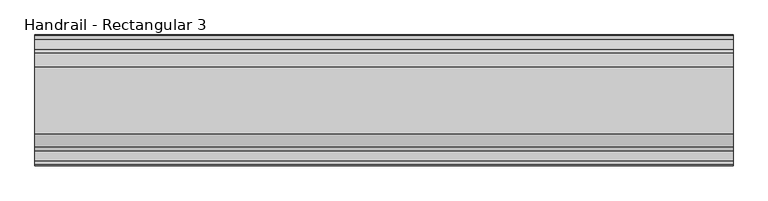
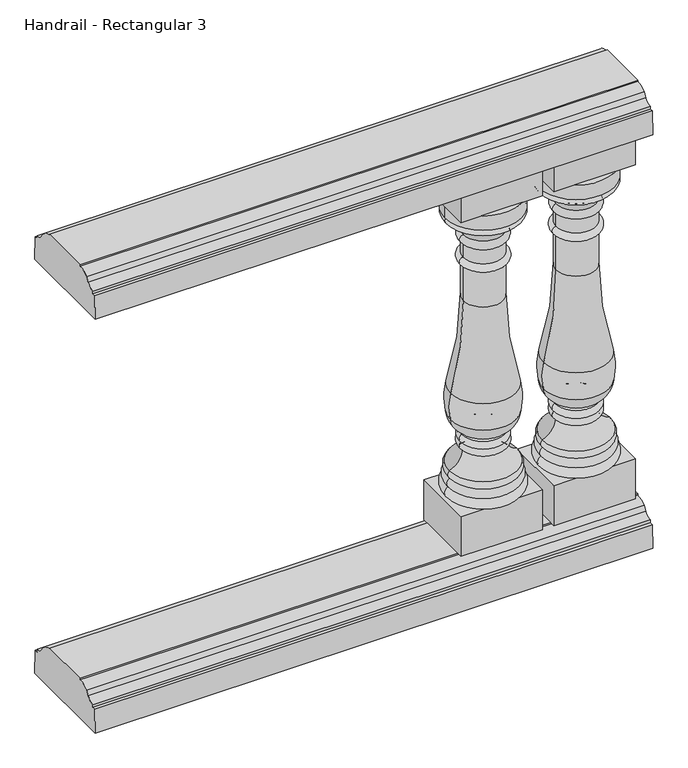
"""IFC4 building model written with IfcOpenShell, lengths in millimetres: railing geometry, Handrail - Rectangular 3."""

from ifc_helpers import new_model, si_unit, point, frame, frame_2d, origin, place, context, project, spatial, polyline, circle_curve, ellipse_curve, trimmed, segment, composite_curve, outline, extrude, source, transform, mapped, element, save
from ifc_brep_helpers import plane_surface, cylinder_surface, revolved_surface, advanced_brep


def handrail_rectangular_3_e12fee99(model_context):
    return source(origin(), model_context, "Body", "SolidModel", [
        extrude(outline(composite_curve([segment(trimmed(circle_curve(frame_2d((2037.3551798, 1054.89375)), 19.84375), [point((2037.3551798, 1035.05))], [point((2054.4756216, 1044.8605607))], True, "CARTESIAN"), True, "CONTINUOUS"), segment(polyline([(2054.4756216, 1044.8605607), (2060.9356936, 1054.3201059)]), True, "CONTINUOUS"), segment(trimmed(circle_curve(frame_2d((2084.9801798, 1027.90625)), 35.71875), [point((2060.9356936, 1054.3201059))], [point((2084.9801798, 1063.625))], False, "CARTESIAN"), True, "CONTINUOUS"), segment(polyline([(2084.9801798, 1063.625), (2084.9801798, 1066.8), (2200.8676798, 1066.8), (2200.8676798, 1063.625)]), True, "CONTINUOUS"), segment(trimmed(circle_curve(frame_2d((2200.8676798, 1027.90625)), 35.71875), [point((2200.8676798, 1063.625))], [point((2224.912166, 1054.3201059))], False, "CARTESIAN"), True, "CONTINUOUS"), segment(polyline([(2224.912166, 1054.3201059), (2231.372238, 1044.8605607)]), True, "CONTINUOUS"), segment(trimmed(circle_curve(frame_2d((2248.4926798, 1054.89375)), 19.84375), [point((2231.372238, 1044.8605607))], [point((2248.4926798, 1035.05))], True, "CARTESIAN"), True, "CONTINUOUS"), segment(polyline([(2248.4926798, 1035.05), (2248.4926798, 1028.7), (2255.6364298, 1028.7), (2257.2239298, 974.725), (2028.6239298, 974.725), (2030.2114298, 1028.7), (2037.3551798, 1028.7), (2037.3551798, 1035.05)]), True, "CONTINUOUS")], self_intersect=False)), frame((7085.9566037, 0.0, 0.0), z_axis=(1.0, 0.0, 0.0), x_axis=(0.0, 1.0, 0.0)), (0.0, 0.0, 1.0), 1219.2),
        extrude(outline(composite_curve([segment(trimmed(circle_curve(frame_2d((2037.3551798, 99.21875)), 19.84375), [point((2037.3551798, 79.375))], [point((2054.4756216, 89.1855607))], True, "CARTESIAN"), True, "CONTINUOUS"), segment(polyline([(2054.4756216, 89.1855607), (2060.9356936, 98.6451059)]), True, "CONTINUOUS"), segment(trimmed(circle_curve(frame_2d((2084.9801798, 72.23125)), 35.71875), [point((2060.9356936, 98.6451059))], [point((2084.9801798, 107.95))], False, "CARTESIAN"), True, "CONTINUOUS"), segment(polyline([(2084.9801798, 107.95), (2084.9801798, 111.125), (2200.8676798, 111.125), (2200.8676798, 107.95)]), True, "CONTINUOUS"), segment(trimmed(circle_curve(frame_2d((2200.8676798, 72.23125)), 35.71875), [point((2200.8676798, 107.95))], [point((2224.912166, 98.6451059))], False, "CARTESIAN"), True, "CONTINUOUS"), segment(polyline([(2224.912166, 98.6451059), (2231.372238, 89.1855607)]), True, "CONTINUOUS"), segment(trimmed(circle_curve(frame_2d((2248.4926798, 99.21875)), 19.84375), [point((2231.372238, 89.1855607))], [point((2248.4926798, 79.375))], True, "CARTESIAN"), True, "CONTINUOUS"), segment(polyline([(2248.4926798, 79.375), (2248.4926798, 73.025), (2255.6364298, 73.025), (2257.2239298, 19.05), (2028.6239298, 19.05), (2030.2114298, 73.025), (2037.3551798, 73.025), (2037.3551798, 79.375)]), True, "CONTINUOUS")], self_intersect=False)), frame((7085.9566037, 0.0, 0.0), z_axis=(1.0, 0.0, 0.0), x_axis=(0.0, 1.0, 0.0)), (0.0, 0.0, 1.0), 1219.2),
        advanced_brep(
        [(8120.2128537, 2142.9239298, 849.3125), (8286.9003537, 2142.9239298, 849.3125), (8286.9003537, 2142.9239298, 882.65), (8120.2128537, 2142.9239298, 882.65), (8123.3878537, 2142.9239298, 849.3125), (8283.7253537, 2142.9239298, 849.3125), (8123.3878537, 2142.9239298, 835.025), (8283.7253537, 2142.9239298, 835.025), (8159.9003537, 2142.9239298, 796.925), (8247.2128537, 2142.9239298, 796.925), (8159.9003537, 2142.9239298, 777.875), (8247.2128537, 2142.9239298, 777.875), (8159.9003537, 2142.9239298, 744.5375), (8247.2128537, 2142.9239298, 744.5375), (8159.9003537, 2142.9239298, 727.075), (8247.2128537, 2142.9239298, 727.075), (8159.9003537, 2142.9239298, 644.525), (8247.2128537, 2142.9239298, 644.525), (8132.7118362, 2142.9239298, 440.2065586), (8274.4013712, 2142.9239298, 440.2065586), (8131.5214802, 2142.9239298, 379.6643134), (8275.5917272, 2142.9239298, 379.6643134), (8158.7325388, 2142.9239298, 340.8286685), (8248.3806687, 2142.9239298, 340.8286685), (8157.007257, 2142.9239298, 336.3463085), (8250.1059504, 2142.9239298, 336.3463085), (8155.9316037, 2142.9239298, 319.0875), (8251.1816037, 2142.9239298, 319.0875), (8159.1066037, 2142.9239298, 301.625), (8248.0066037, 2142.9239298, 301.625), (8129.7378537, 2142.9239298, 261.9375), (8277.3753537, 2142.9239298, 261.9375), (8130.5316037, 2142.9239298, 244.475), (8276.5816037, 2142.9239298, 244.475), (8126.5628537, 2142.9239298, 225.425), (8280.5503537, 2142.9239298, 225.425), (8123.3878537, 2142.9239298, 203.2), (8283.7253537, 2142.9239298, 203.2), (8203.5566037, 2142.9239298, 203.2), (8203.5566037, 2142.9239298, 882.65)],
        [
            (0, 1, circle_curve(frame((8203.5566037, 2142.9239298, 849.3125), z_axis=(0.0, 0.0, 1.0), x_axis=(1.0, 0.0, 0.0)), 83.34375)),
            (1, 2),
            (2, 3, circle_curve(frame((8203.5566037, 2142.9239298, 882.65), z_axis=(0.0, 0.0, -1.0), x_axis=(1.0, 0.0, 0.0)), 83.34375)),
            (3, 0),
            (1, 0, circle_curve(frame((8203.5566037, 2142.9239298, 849.3125), z_axis=(0.0, 0.0, 1.0), x_axis=(1.0, 0.0, 0.0)), 83.34375)),
            (3, 2, circle_curve(frame((8203.5566037, 2142.9239298, 882.65), z_axis=(0.0, 0.0, -1.0), x_axis=(1.0, 0.0, 0.0)), 83.34375)),
            (4, 5, circle_curve(frame((8203.5566037, 2142.9239298, 849.3125), z_axis=(0.0, 0.0, 1.0), x_axis=(1.0, 0.0, 0.0)), 80.16875)),
            (5, 1),
            (0, 4),
            (5, 4, circle_curve(frame((8203.5566037, 2142.9239298, 849.3125), z_axis=(0.0, 0.0, 1.0), x_axis=(1.0, 0.0, 0.0)), 80.16875)),
            (6, 7, circle_curve(frame((8203.5566037, 2142.9239298, 835.025), z_axis=(0.0, 0.0, 1.0), x_axis=(1.0, 0.0, 0.0)), 80.16875)),
            (7, 5, circle_curve(frame((8277.276135, 2142.9239298, 842.16875), z_axis=(0.0, -1.0, 0.0), x_axis=(1.0, 0.0, 0.0)), 9.6242187)),
            (4, 6, circle_curve(frame((8129.8370725, 2142.9239298, 842.16875), z_axis=(0.0, -1.0, 0.0), x_axis=(-1.0, 0.0, 0.0)), 9.6242187)),
            (7, 6, circle_curve(frame((8203.5566037, 2142.9239298, 835.025), z_axis=(0.0, 0.0, 1.0), x_axis=(1.0, 0.0, 0.0)), 80.16875)),
            (8, 9, circle_curve(frame((8203.5566037, 2142.9239298, 796.925), z_axis=(0.0, 0.0, 1.0), x_axis=(1.0, 0.0, 0.0)), 43.65625)),
            (9, 7, circle_curve(frame((8302.6296582, 2142.9239298, 780.362802), z_axis=(0.0, 1.0, 0.0), x_axis=(1.0, 0.0, 0.0)), 57.8388159)),
            (6, 8, circle_curve(frame((8104.4835492, 2142.9239298, 780.362802), z_axis=(0.0, 1.0, 0.0), x_axis=(-1.0, 0.0, 0.0)), 57.8388159)),
            (9, 8, circle_curve(frame((8203.5566037, 2142.9239298, 796.925), z_axis=(0.0, 0.0, 1.0), x_axis=(1.0, 0.0, 0.0)), 43.65625)),
            (10, 11, circle_curve(frame((8203.5566037, 2142.9239298, 777.875), z_axis=(0.0, 0.0, 1.0), x_axis=(1.0, 0.0, 0.0)), 43.65625)),
            (11, 9, circle_curve(frame((8245.4666037, 2142.9239298, 787.4), z_axis=(0.0, -1.0, 0.0), x_axis=(1.0, 0.0, 0.0)), 9.68375)),
            (8, 10, circle_curve(frame((8161.6466037, 2142.9239298, 787.4), z_axis=(0.0, -1.0, 0.0), x_axis=(-1.0, 0.0, 0.0)), 9.68375)),
            (11, 10, circle_curve(frame((8203.5566037, 2142.9239298, 777.875), z_axis=(0.0, 0.0, 1.0), x_axis=(1.0, 0.0, 0.0)), 43.65625)),
            (12, 13, circle_curve(frame((8203.5566037, 2142.9239298, 744.5375), z_axis=(0.0, 0.0, 1.0), x_axis=(1.0, 0.0, 0.0)), 43.65625)),
            (13, 11),
            (10, 12),
            (13, 12, circle_curve(frame((8203.5566037, 2142.9239298, 744.5375), z_axis=(0.0, 0.0, 1.0), x_axis=(1.0, 0.0, 0.0)), 43.65625)),
            (14, 15, circle_curve(frame((8203.5566037, 2142.9239298, 727.075), z_axis=(0.0, 0.0, 1.0), x_axis=(1.0, 0.0, 0.0)), 43.65625)),
            (15, 13, circle_curve(frame((8247.2128537, 2142.9239298, 735.80625), z_axis=(0.0, -1.0, 0.0), x_axis=(1.0, 0.0, 0.0)), 8.73125)),
            (12, 14, circle_curve(frame((8159.9003537, 2142.9239298, 735.80625), z_axis=(0.0, -1.0, 0.0), x_axis=(-1.0, 0.0, 0.0)), 8.73125)),
            (15, 14, circle_curve(frame((8203.5566037, 2142.9239298, 727.075), z_axis=(0.0, 0.0, 1.0), x_axis=(1.0, 0.0, 0.0)), 43.65625)),
            (16, 17, circle_curve(frame((8203.5566037, 2142.9239298, 644.525), z_axis=(0.0, 0.0, 1.0), x_axis=(1.0, 0.0, 0.0)), 43.65625)),
            (17, 15),
            (14, 16),
            (17, 16, circle_curve(frame((8203.5566037, 2142.9239298, 644.525), z_axis=(0.0, 0.0, 1.0), x_axis=(1.0, 0.0, 0.0)), 43.65625)),
            (18, 19, circle_curve(frame((8203.5566037, 2142.9239298, 440.2065586), z_axis=(0.0, 0.0, 1.0), x_axis=(1.0, 0.0, 0.0)), 70.8447675)),
            (19, 17, circle_curve(frame((8981.9896033, 2142.9239298, 638.333048), z_axis=(0.0, 1.0, 0.0), x_axis=(1.0, 0.0, 0.0)), 734.8028389)),
            (16, 18, circle_curve(frame((7425.1236041, 2142.9239298, 638.333048), z_axis=(0.0, 1.0, 0.0), x_axis=(-1.0, 0.0, 0.0)), 734.8028389)),
            (19, 18, circle_curve(frame((8203.5566037, 2142.9239298, 440.2065586), z_axis=(0.0, 0.0, 1.0), x_axis=(1.0, 0.0, 0.0)), 70.8447675)),
            (20, 21, circle_curve(frame((8203.5566037, 2142.9239298, 379.6643134), z_axis=(0.0, 0.0, 1.0), x_axis=(1.0, 0.0, 0.0)), 72.0351235)),
            (21, 19, circle_curve(frame((8116.5027491, 2142.9239298, 406.819198), z_axis=(0.0, -1.0, 0.0), x_axis=(1.0, 0.0, 0.0)), 161.3898718)),
            (18, 20, circle_curve(frame((8290.6104584, 2142.9239298, 406.819198), z_axis=(0.0, -1.0, 0.0), x_axis=(-1.0, 0.0, 0.0)), 161.3898718)),
            (21, 20, circle_curve(frame((8203.5566037, 2142.9239298, 379.6643134), z_axis=(0.0, 0.0, 1.0), x_axis=(1.0, 0.0, 0.0)), 72.0351235)),
            (22, 23, circle_curve(frame((8203.5566037, 2142.9239298, 340.8286685), z_axis=(0.0, 0.0, 1.0), x_axis=(1.0, 0.0, 0.0)), 44.8240649)),
            (23, 21, circle_curve(frame((8225.8617054, 2142.9239298, 385.5579203), z_axis=(0.0, -1.0, 0.0), x_axis=(1.0, 0.0, 0.0)), 50.0780358)),
            (20, 22, circle_curve(frame((8181.251502, 2142.9239298, 385.5579203), z_axis=(0.0, -1.0, 0.0), x_axis=(-1.0, 0.0, 0.0)), 50.0780358)),
            (23, 22, circle_curve(frame((8203.5566037, 2142.9239298, 340.8286685), z_axis=(0.0, 0.0, 1.0), x_axis=(1.0, 0.0, 0.0)), 44.8240649)),
            (24, 25, circle_curve(frame((8203.5566037, 2142.9239298, 336.3463085), z_axis=(0.0, 0.0, 1.0), x_axis=(1.0, 0.0, 0.0)), 46.5493467)),
            (25, 23, circle_curve(frame((8251.1816037, 2142.9239298, 339.3335472), z_axis=(0.0, 1.0, 0.0), x_axis=(1.0, 0.0, 0.0)), 3.175)),
            (22, 24, circle_curve(frame((8155.9316037, 2142.9239298, 339.3335472), z_axis=(0.0, 1.0, 0.0), x_axis=(-1.0, 0.0, 0.0)), 3.175)),
            (25, 24, circle_curve(frame((8203.5566037, 2142.9239298, 336.3463085), z_axis=(0.0, 0.0, 1.0), x_axis=(1.0, 0.0, 0.0)), 46.5493467)),
            (26, 27, circle_curve(frame((8203.5566037, 2142.9239298, 319.0875), z_axis=(0.0, 0.0, 1.0), x_axis=(1.0, 0.0, 0.0)), 47.625)),
            (27, 25, circle_curve(frame((8246.105239, 2142.9239298, 327.4340404), z_axis=(0.0, -1.0, 0.0), x_axis=(1.0, 0.0, 0.0)), 9.7690437)),
            (24, 26, circle_curve(frame((8161.0079685, 2142.9239298, 327.4340404), z_axis=(0.0, -1.0, 0.0), x_axis=(-1.0, 0.0, 0.0)), 9.7690437)),
            (27, 26, circle_curve(frame((8203.5566037, 2142.9239298, 319.0875), z_axis=(0.0, 0.0, 1.0), x_axis=(1.0, 0.0, 0.0)), 47.625)),
            (28, 29, circle_curve(frame((8203.5566037, 2142.9239298, 301.625), z_axis=(0.0, 0.0, 1.0), x_axis=(1.0, 0.0, 0.0)), 44.45)),
            (29, 27, circle_curve(frame((8246.5679318, 2142.9239298, 310.9064631), z_axis=(0.0, -1.0, 0.0), x_axis=(1.0, 0.0, 0.0)), 9.3923018)),
            (26, 28, circle_curve(frame((8160.5452756, 2142.9239298, 310.9064631), z_axis=(0.0, -1.0, 0.0), x_axis=(-1.0, 0.0, 0.0)), 9.3923018)),
            (29, 28, circle_curve(frame((8203.5566037, 2142.9239298, 301.625), z_axis=(0.0, 0.0, 1.0), x_axis=(1.0, 0.0, 0.0)), 44.45)),
            (30, 31, circle_curve(frame((8203.5566037, 2142.9239298, 261.9375), z_axis=(0.0, 0.0, 1.0), x_axis=(1.0, 0.0, 0.0)), 73.81875)),
            (31, 29, circle_curve(frame((8289.5068571, 2142.9239298, 301.625), z_axis=(0.0, 1.0, 0.0), x_axis=(1.0, 0.0, 0.0)), 41.5002534)),
            (28, 30, circle_curve(frame((8117.6063503, 2142.9239298, 301.625), z_axis=(0.0, 1.0, 0.0), x_axis=(-1.0, 0.0, 0.0)), 41.5002534)),
            (31, 30, circle_curve(frame((8203.5566037, 2142.9239298, 261.9375), z_axis=(0.0, 0.0, 1.0), x_axis=(1.0, 0.0, 0.0)), 73.81875)),
            (32, 33, circle_curve(frame((8203.5566037, 2142.9239298, 244.475), z_axis=(0.0, 0.0, 1.0), x_axis=(1.0, 0.0, 0.0)), 73.025)),
            (33, 31, circle_curve(frame((8268.0708398, 2142.9239298, 253.6111427), z_axis=(0.0, -1.0, 0.0), x_axis=(1.0, 0.0, 0.0)), 12.4860804)),
            (30, 32, circle_curve(frame((8139.0423676, 2142.9239298, 253.6111427), z_axis=(0.0, -1.0, 0.0), x_axis=(-1.0, 0.0, 0.0)), 12.4860804)),
            (33, 32, circle_curve(frame((8203.5566037, 2142.9239298, 244.475), z_axis=(0.0, 0.0, 1.0), x_axis=(1.0, 0.0, 0.0)), 73.025)),
            (34, 35, circle_curve(frame((8203.5566037, 2142.9239298, 225.425), z_axis=(0.0, 0.0, 1.0), x_axis=(1.0, 0.0, 0.0)), 76.99375)),
            (35, 33, circle_curve(frame((8269.9068878, 2142.9239298, 233.1460227), z_axis=(0.0, -1.0, 0.0), x_axis=(1.0, 0.0, 0.0)), 13.1490516)),
            (32, 34, circle_curve(frame((8137.2063196, 2142.9239298, 233.1460227), z_axis=(0.0, -1.0, 0.0), x_axis=(-1.0, 0.0, 0.0)), 13.1490516)),
            (35, 34, circle_curve(frame((8203.5566037, 2142.9239298, 225.425), z_axis=(0.0, 0.0, 1.0), x_axis=(1.0, 0.0, 0.0)), 76.99375)),
            (36, 37, circle_curve(frame((8203.5566037, 2142.9239298, 203.2), z_axis=(0.0, 0.0, 1.0), x_axis=(1.0, 0.0, 0.0)), 80.16875)),
            (37, 35, circle_curve(frame((8273.576693, 2142.9239298, 213.089477), z_axis=(0.0, -1.0, 0.0), x_axis=(1.0, 0.0, 0.0)), 14.1702883)),
            (34, 36, circle_curve(frame((8133.5365144, 2142.9239298, 213.089477), z_axis=(0.0, -1.0, 0.0), x_axis=(-1.0, 0.0, 0.0)), 14.1702883)),
            (37, 36, circle_curve(frame((8203.5566037, 2142.9239298, 203.2), z_axis=(0.0, 0.0, 1.0), x_axis=(1.0, 0.0, 0.0)), 80.16875)),
            (38, 37),
            (36, 38),
            (2, 39),
            (39, 3),
        ],
        [
            cylinder_surface(frame((8203.5566037, 2142.9239298, 831.85), z_axis=(0.0, 0.0, -1.0), x_axis=(1.0, 0.0, 0.0)), 83.34375),
            plane_surface(frame((8203.5566037, 2142.9239298, 849.3125), z_axis=(0.0, 0.0, -1.0), x_axis=(1.0, 0.0, 0.0))),
            revolved_surface(trimmed(ellipse_curve(frame((8277.276135, 2142.9239298, 842.16875), z_axis=(0.0, 1.0, 0.0), x_axis=(1.0, 0.0, 0.0)), 9.6242187, 9.6242187), [point((8283.7253537, 2142.9239298, 849.3125))], [point((8283.7253537, 2142.9239298, 835.025))], True, "CARTESIAN"), (8203.5566037, 2142.9239298, 831.85), (0.0, 0.0, -1.0)),
            revolved_surface(trimmed(ellipse_curve(frame((8302.6296582, 2142.9239298, 780.362802), z_axis=(0.0, -1.0, 0.0), x_axis=(1.0, 0.0, 0.0)), 57.8388159, 57.8388159), [point((8283.7253537, 2142.9239298, 835.025))], [point((8247.2128537, 2142.9239298, 796.925))], True, "CARTESIAN"), (8203.5566037, 2142.9239298, 831.85), (0.0, 0.0, -1.0)),
            revolved_surface(trimmed(ellipse_curve(frame((8245.4666037, 2142.9239298, 787.4), z_axis=(0.0, 1.0, 0.0), x_axis=(1.0, 0.0, 0.0)), 9.68375, 9.68375), [point((8247.2128537, 2142.9239298, 796.925))], [point((8247.2128537, 2142.9239298, 777.875))], True, "CARTESIAN"), (8203.5566037, 2142.9239298, 831.85), (0.0, 0.0, -1.0)),
            cylinder_surface(frame((8203.5566037, 2142.9239298, 831.85), z_axis=(0.0, 0.0, -1.0), x_axis=(1.0, 0.0, 0.0)), 43.65625),
            revolved_surface(trimmed(ellipse_curve(frame((8247.2128537, 2142.9239298, 735.80625), z_axis=(0.0, 1.0, 0.0), x_axis=(1.0, 0.0, 0.0)), 8.73125, 8.73125), [point((8247.2128537, 2142.9239298, 744.5375))], [point((8247.2128537, 2142.9239298, 727.075))], True, "CARTESIAN"), (8203.5566037, 2142.9239298, 831.85), (0.0, 0.0, -1.0)),
            revolved_surface(trimmed(ellipse_curve(frame((8981.9896033, 2142.9239298, 638.333048), z_axis=(0.0, -1.0, 0.0), x_axis=(1.0, 0.0, 0.0)), 734.8028389, 734.8028389), [point((8247.2128537, 2142.9239298, 644.525))], [point((8274.4013712, 2142.9239298, 440.2065586))], True, "CARTESIAN"), (8203.5566037, 2142.9239298, 831.85), (0.0, 0.0, -1.0)),
            revolved_surface(trimmed(ellipse_curve(frame((8116.5027491, 2142.9239298, 406.819198), z_axis=(0.0, 1.0, 0.0), x_axis=(1.0, 0.0, 0.0)), 161.3898718, 161.3898718), [point((8274.4013712, 2142.9239298, 440.2065586))], [point((8275.5917272, 2142.9239298, 379.6643134))], True, "CARTESIAN"), (8203.5566037, 2142.9239298, 831.85), (0.0, 0.0, -1.0)),
            revolved_surface(trimmed(ellipse_curve(frame((8225.8617054, 2142.9239298, 385.5579203), z_axis=(0.0, 1.0, 0.0), x_axis=(1.0, 0.0, 0.0)), 50.0780358, 50.0780358), [point((8275.5917272, 2142.9239298, 379.6643134))], [point((8248.3806687, 2142.9239298, 340.8286685))], True, "CARTESIAN"), (8203.5566037, 2142.9239298, 831.85), (0.0, 0.0, -1.0)),
            revolved_surface(trimmed(ellipse_curve(frame((8251.1816037, 2142.9239298, 339.3335472), z_axis=(0.0, -1.0, 0.0), x_axis=(1.0, 0.0, 0.0)), 3.175, 3.175), [point((8248.3806687, 2142.9239298, 340.8286685))], [point((8250.1059504, 2142.9239298, 336.3463085))], True, "CARTESIAN"), (8203.5566037, 2142.9239298, 831.85), (0.0, 0.0, -1.0)),
            revolved_surface(trimmed(ellipse_curve(frame((8246.105239, 2142.9239298, 327.4340404), z_axis=(0.0, 1.0, 0.0), x_axis=(1.0, 0.0, 0.0)), 9.7690437, 9.7690437), [point((8250.1059504, 2142.9239298, 336.3463085))], [point((8251.1816037, 2142.9239298, 319.0875))], True, "CARTESIAN"), (8203.5566037, 2142.9239298, 831.85), (0.0, 0.0, -1.0)),
            revolved_surface(trimmed(ellipse_curve(frame((8246.5679318, 2142.9239298, 310.9064631), z_axis=(0.0, 1.0, 0.0), x_axis=(1.0, 0.0, 0.0)), 9.3923018, 9.3923018), [point((8251.1816037, 2142.9239298, 319.0875))], [point((8248.0066037, 2142.9239298, 301.625))], True, "CARTESIAN"), (8203.5566037, 2142.9239298, 831.85), (0.0, 0.0, -1.0)),
            revolved_surface(trimmed(ellipse_curve(frame((8289.5068571, 2142.9239298, 301.625), z_axis=(0.0, -1.0, 0.0), x_axis=(1.0, 0.0, 0.0)), 41.5002534, 41.5002534), [point((8248.0066037, 2142.9239298, 301.625))], [point((8277.3753537, 2142.9239298, 261.9375))], True, "CARTESIAN"), (8203.5566037, 2142.9239298, 831.85), (0.0, 0.0, -1.0)),
            revolved_surface(trimmed(ellipse_curve(frame((8268.0708398, 2142.9239298, 253.6111427), z_axis=(0.0, 1.0, 0.0), x_axis=(1.0, 0.0, 0.0)), 12.4860804, 12.4860804), [point((8277.3753537, 2142.9239298, 261.9375))], [point((8276.5816037, 2142.9239298, 244.475))], True, "CARTESIAN"), (8203.5566037, 2142.9239298, 831.85), (0.0, 0.0, -1.0)),
            revolved_surface(trimmed(ellipse_curve(frame((8269.9068878, 2142.9239298, 233.1460227), z_axis=(0.0, 1.0, 0.0), x_axis=(1.0, 0.0, 0.0)), 13.1490516, 13.1490516), [point((8276.5816037, 2142.9239298, 244.475))], [point((8280.5503537, 2142.9239298, 225.425))], True, "CARTESIAN"), (8203.5566037, 2142.9239298, 831.85), (0.0, 0.0, -1.0)),
            revolved_surface(trimmed(ellipse_curve(frame((8273.576693, 2142.9239298, 213.089477), z_axis=(0.0, 1.0, 0.0), x_axis=(1.0, 0.0, 0.0)), 14.1702883, 14.1702883), [point((8280.5503537, 2142.9239298, 225.425))], [point((8283.7253537, 2142.9239298, 203.2))], True, "CARTESIAN"), (8203.5566037, 2142.9239298, 831.85), (0.0, 0.0, -1.0)),
            plane_surface(frame((8203.5566037, 2142.9239298, 203.2), z_axis=(0.0, 0.0, -1.0), x_axis=(1.0, 0.0, 0.0))),
            plane_surface(frame((8203.5566037, 2142.9239298, 882.65), z_axis=(0.0, 0.0, 1.0), x_axis=(1.0, 0.0, 0.0))),
        ],
        [
            (0, [[1, 2, 3, 4]]),
            (0, [[5, -4, 6, -2]]),
            (1, [[7, 8, -1, 9]]),
            (1, [[10, -9, -5, -8]]),
            (2, [[11, 12, -7, 13]]),
            (2, [[14, -13, -10, -12]]),
            (3, [[15, 16, -11, 17]]),
            (3, [[18, -17, -14, -16]]),
            (4, [[19, 20, -15, 21]]),
            (4, [[22, -21, -18, -20]]),
            (5, [[23, 24, -19, 25]]),
            (5, [[26, -25, -22, -24]]),
            (6, [[27, 28, -23, 29]]),
            (6, [[30, -29, -26, -28]]),
            (5, [[31, 32, -27, 33]]),
            (5, [[34, -33, -30, -32]]),
            (7, [[35, 36, -31, 37]]),
            (7, [[38, -37, -34, -36]]),
            (8, [[39, 40, -35, 41]]),
            (8, [[42, -41, -38, -40]]),
            (9, [[43, 44, -39, 45]]),
            (9, [[46, -45, -42, -44]]),
            (10, [[47, 48, -43, 49]]),
            (10, [[50, -49, -46, -48]]),
            (11, [[51, 52, -47, 53]]),
            (11, [[54, -53, -50, -52]]),
            (12, [[55, 56, -51, 57]]),
            (12, [[58, -57, -54, -56]]),
            (13, [[59, 60, -55, 61]]),
            (13, [[62, -61, -58, -60]]),
            (14, [[63, 64, -59, 65]]),
            (14, [[66, -65, -62, -64]]),
            (15, [[67, 68, -63, 69]]),
            (15, [[70, -69, -66, -68]]),
            (16, [[71, 72, -67, 73]]),
            (16, [[74, -73, -70, -72]]),
            (17, [[75, -71, 76]]),
            (17, [[-76, -74, -75]]),
            (18, [[-3, 77, 78]]),
            (18, [[-6, -78, -77]]),
        ],
    ),
        extrude(outline(polyline([(8114.6566037, 2073.0739298), (8114.6566037, 2212.7739298), (8292.4566037, 2212.7739298), (8292.4566037, 2073.0739298), (8114.6566037, 2073.0739298)])), frame((0.0, 0.0, 111.125), z_axis=(0.0, 0.0, 1.0), x_axis=(1.0, 0.0, 0.0)), (0.0, 0.0, 1.0), 92.075),
        extrude(outline(polyline([(8114.6566037, 2212.7739298), (8292.4566037, 2212.7739298), (8292.4566037, 2073.0739298), (8114.6566037, 2073.0739298), (8114.6566037, 2212.7739298)])), frame((0.0, 0.0, 882.65), z_axis=(0.0, 0.0, 1.0), x_axis=(1.0, 0.0, 0.0)), (0.0, 0.0, 1.0), 92.075),
        advanced_brep(
        [(7917.0128537, 2142.9239298, 849.3125), (8083.7003537, 2142.9239298, 849.3125), (8083.7003537, 2142.9239298, 882.65), (7917.0128537, 2142.9239298, 882.65), (7920.1878537, 2142.9239298, 849.3125), (8080.5253537, 2142.9239298, 849.3125), (7920.1878537, 2142.9239298, 835.025), (8080.5253537, 2142.9239298, 835.025), (7956.7003537, 2142.9239298, 796.925), (8044.0128537, 2142.9239298, 796.925), (7956.7003537, 2142.9239298, 777.875), (8044.0128537, 2142.9239298, 777.875), (7956.7003537, 2142.9239298, 744.5375), (8044.0128537, 2142.9239298, 744.5375), (7956.7003537, 2142.9239298, 727.075), (8044.0128537, 2142.9239298, 727.075), (7956.7003537, 2142.9239298, 644.525), (8044.0128537, 2142.9239298, 644.525), (7929.5118362, 2142.9239298, 440.2065586), (8071.2013712, 2142.9239298, 440.2065586), (7928.3214802, 2142.9239298, 379.6643134), (8072.3917272, 2142.9239298, 379.6643134), (7955.5325388, 2142.9239298, 340.8286685), (8045.1806687, 2142.9239298, 340.8286685), (7953.807257, 2142.9239298, 336.3463085), (8046.9059504, 2142.9239298, 336.3463085), (7952.7316037, 2142.9239298, 319.0875), (8047.9816037, 2142.9239298, 319.0875), (7955.9066037, 2142.9239298, 301.625), (8044.8066037, 2142.9239298, 301.625), (7926.5378537, 2142.9239298, 261.9375), (8074.1753537, 2142.9239298, 261.9375), (7927.3316037, 2142.9239298, 244.475), (8073.3816037, 2142.9239298, 244.475), (7923.3628537, 2142.9239298, 225.425), (8077.3503537, 2142.9239298, 225.425), (7920.1878537, 2142.9239298, 203.2), (8080.5253537, 2142.9239298, 203.2), (8000.3566037, 2142.9239298, 203.2), (8000.3566037, 2142.9239298, 882.65)],
        [
            (0, 1, circle_curve(frame((8000.3566037, 2142.9239298, 849.3125), z_axis=(0.0, 0.0, 1.0), x_axis=(1.0, 0.0, 0.0)), 83.34375)),
            (1, 2),
            (2, 3, circle_curve(frame((8000.3566037, 2142.9239298, 882.65), z_axis=(0.0, 0.0, -1.0), x_axis=(1.0, 0.0, 0.0)), 83.34375)),
            (3, 0),
            (1, 0, circle_curve(frame((8000.3566037, 2142.9239298, 849.3125), z_axis=(0.0, 0.0, 1.0), x_axis=(1.0, 0.0, 0.0)), 83.34375)),
            (3, 2, circle_curve(frame((8000.3566037, 2142.9239298, 882.65), z_axis=(0.0, 0.0, -1.0), x_axis=(1.0, 0.0, 0.0)), 83.34375)),
            (4, 5, circle_curve(frame((8000.3566037, 2142.9239298, 849.3125), z_axis=(0.0, 0.0, 1.0), x_axis=(1.0, 0.0, 0.0)), 80.16875)),
            (5, 1),
            (0, 4),
            (5, 4, circle_curve(frame((8000.3566037, 2142.9239298, 849.3125), z_axis=(0.0, 0.0, 1.0), x_axis=(1.0, 0.0, 0.0)), 80.16875)),
            (6, 7, circle_curve(frame((8000.3566037, 2142.9239298, 835.025), z_axis=(0.0, 0.0, 1.0), x_axis=(1.0, 0.0, 0.0)), 80.16875)),
            (7, 5, circle_curve(frame((8074.076135, 2142.9239298, 842.16875), z_axis=(0.0, -1.0, 0.0), x_axis=(1.0, 0.0, 0.0)), 9.6242187)),
            (4, 6, circle_curve(frame((7926.6370725, 2142.9239298, 842.16875), z_axis=(0.0, -1.0, 0.0), x_axis=(-1.0, 0.0, 0.0)), 9.6242187)),
            (7, 6, circle_curve(frame((8000.3566037, 2142.9239298, 835.025), z_axis=(0.0, 0.0, 1.0), x_axis=(1.0, 0.0, 0.0)), 80.16875)),
            (8, 9, circle_curve(frame((8000.3566037, 2142.9239298, 796.925), z_axis=(0.0, 0.0, 1.0), x_axis=(1.0, 0.0, 0.0)), 43.65625)),
            (9, 7, circle_curve(frame((8099.4296582, 2142.9239298, 780.362802), z_axis=(0.0, 1.0, 0.0), x_axis=(1.0, 0.0, 0.0)), 57.8388159)),
            (6, 8, circle_curve(frame((7901.2835492, 2142.9239298, 780.362802), z_axis=(0.0, 1.0, 0.0), x_axis=(-1.0, 0.0, 0.0)), 57.8388159)),
            (9, 8, circle_curve(frame((8000.3566037, 2142.9239298, 796.925), z_axis=(0.0, 0.0, 1.0), x_axis=(1.0, 0.0, 0.0)), 43.65625)),
            (10, 11, circle_curve(frame((8000.3566037, 2142.9239298, 777.875), z_axis=(0.0, 0.0, 1.0), x_axis=(1.0, 0.0, 0.0)), 43.65625)),
            (11, 9, circle_curve(frame((8042.2666037, 2142.9239298, 787.4), z_axis=(0.0, -1.0, 0.0), x_axis=(1.0, 0.0, 0.0)), 9.68375)),
            (8, 10, circle_curve(frame((7958.4466037, 2142.9239298, 787.4), z_axis=(0.0, -1.0, 0.0), x_axis=(-1.0, 0.0, 0.0)), 9.68375)),
            (11, 10, circle_curve(frame((8000.3566037, 2142.9239298, 777.875), z_axis=(0.0, 0.0, 1.0), x_axis=(1.0, 0.0, 0.0)), 43.65625)),
            (12, 13, circle_curve(frame((8000.3566037, 2142.9239298, 744.5375), z_axis=(0.0, 0.0, 1.0), x_axis=(1.0, 0.0, 0.0)), 43.65625)),
            (13, 11),
            (10, 12),
            (13, 12, circle_curve(frame((8000.3566037, 2142.9239298, 744.5375), z_axis=(0.0, 0.0, 1.0), x_axis=(1.0, 0.0, 0.0)), 43.65625)),
            (14, 15, circle_curve(frame((8000.3566037, 2142.9239298, 727.075), z_axis=(0.0, 0.0, 1.0), x_axis=(1.0, 0.0, 0.0)), 43.65625)),
            (15, 13, circle_curve(frame((8044.0128537, 2142.9239298, 735.80625), z_axis=(0.0, -1.0, 0.0), x_axis=(1.0, 0.0, 0.0)), 8.73125)),
            (12, 14, circle_curve(frame((7956.7003537, 2142.9239298, 735.80625), z_axis=(0.0, -1.0, 0.0), x_axis=(-1.0, 0.0, 0.0)), 8.73125)),
            (15, 14, circle_curve(frame((8000.3566037, 2142.9239298, 727.075), z_axis=(0.0, 0.0, 1.0), x_axis=(1.0, 0.0, 0.0)), 43.65625)),
            (16, 17, circle_curve(frame((8000.3566037, 2142.9239298, 644.525), z_axis=(0.0, 0.0, 1.0), x_axis=(1.0, 0.0, 0.0)), 43.65625)),
            (17, 15),
            (14, 16),
            (17, 16, circle_curve(frame((8000.3566037, 2142.9239298, 644.525), z_axis=(0.0, 0.0, 1.0), x_axis=(1.0, 0.0, 0.0)), 43.65625)),
            (18, 19, circle_curve(frame((8000.3566037, 2142.9239298, 440.2065586), z_axis=(0.0, 0.0, 1.0), x_axis=(1.0, 0.0, 0.0)), 70.8447675)),
            (19, 17, circle_curve(frame((8778.7896033, 2142.9239298, 638.333048), z_axis=(0.0, 1.0, 0.0), x_axis=(1.0, 0.0, 0.0)), 734.8028389)),
            (16, 18, circle_curve(frame((7221.9236041, 2142.9239298, 638.333048), z_axis=(0.0, 1.0, 0.0), x_axis=(-1.0, 0.0, 0.0)), 734.8028389)),
            (19, 18, circle_curve(frame((8000.3566037, 2142.9239298, 440.2065586), z_axis=(0.0, 0.0, 1.0), x_axis=(1.0, 0.0, 0.0)), 70.8447675)),
            (20, 21, circle_curve(frame((8000.3566037, 2142.9239298, 379.6643134), z_axis=(0.0, 0.0, 1.0), x_axis=(1.0, 0.0, 0.0)), 72.0351235)),
            (21, 19, circle_curve(frame((7913.3027491, 2142.9239298, 406.819198), z_axis=(0.0, -1.0, 0.0), x_axis=(1.0, 0.0, 0.0)), 161.3898718)),
            (18, 20, circle_curve(frame((8087.4104584, 2142.9239298, 406.819198), z_axis=(0.0, -1.0, 0.0), x_axis=(-1.0, 0.0, 0.0)), 161.3898718)),
            (21, 20, circle_curve(frame((8000.3566037, 2142.9239298, 379.6643134), z_axis=(0.0, 0.0, 1.0), x_axis=(1.0, 0.0, 0.0)), 72.0351235)),
            (22, 23, circle_curve(frame((8000.3566037, 2142.9239298, 340.8286685), z_axis=(0.0, 0.0, 1.0), x_axis=(1.0, 0.0, 0.0)), 44.8240649)),
            (23, 21, circle_curve(frame((8022.6617054, 2142.9239298, 385.5579203), z_axis=(0.0, -1.0, 0.0), x_axis=(1.0, 0.0, 0.0)), 50.0780358)),
            (20, 22, circle_curve(frame((7978.051502, 2142.9239298, 385.5579203), z_axis=(0.0, -1.0, 0.0), x_axis=(-1.0, 0.0, 0.0)), 50.0780358)),
            (23, 22, circle_curve(frame((8000.3566037, 2142.9239298, 340.8286685), z_axis=(0.0, 0.0, 1.0), x_axis=(1.0, 0.0, 0.0)), 44.8240649)),
            (24, 25, circle_curve(frame((8000.3566037, 2142.9239298, 336.3463085), z_axis=(0.0, 0.0, 1.0), x_axis=(1.0, 0.0, 0.0)), 46.5493467)),
            (25, 23, circle_curve(frame((8047.9816037, 2142.9239298, 339.3335472), z_axis=(0.0, 1.0, 0.0), x_axis=(1.0, 0.0, 0.0)), 3.175)),
            (22, 24, circle_curve(frame((7952.7316037, 2142.9239298, 339.3335472), z_axis=(0.0, 1.0, 0.0), x_axis=(-1.0, 0.0, 0.0)), 3.175)),
            (25, 24, circle_curve(frame((8000.3566037, 2142.9239298, 336.3463085), z_axis=(0.0, 0.0, 1.0), x_axis=(1.0, 0.0, 0.0)), 46.5493467)),
            (26, 27, circle_curve(frame((8000.3566037, 2142.9239298, 319.0875), z_axis=(0.0, 0.0, 1.0), x_axis=(1.0, 0.0, 0.0)), 47.625)),
            (27, 25, circle_curve(frame((8042.905239, 2142.9239298, 327.4340404), z_axis=(0.0, -1.0, 0.0), x_axis=(1.0, 0.0, 0.0)), 9.7690437)),
            (24, 26, circle_curve(frame((7957.8079685, 2142.9239298, 327.4340404), z_axis=(0.0, -1.0, 0.0), x_axis=(-1.0, 0.0, 0.0)), 9.7690437)),
            (27, 26, circle_curve(frame((8000.3566037, 2142.9239298, 319.0875), z_axis=(0.0, 0.0, 1.0), x_axis=(1.0, 0.0, 0.0)), 47.625)),
            (28, 29, circle_curve(frame((8000.3566037, 2142.9239298, 301.625), z_axis=(0.0, 0.0, 1.0), x_axis=(1.0, 0.0, 0.0)), 44.45)),
            (29, 27, circle_curve(frame((8043.3679318, 2142.9239298, 310.9064631), z_axis=(0.0, -1.0, 0.0), x_axis=(1.0, 0.0, 0.0)), 9.3923018)),
            (26, 28, circle_curve(frame((7957.3452756, 2142.9239298, 310.9064631), z_axis=(0.0, -1.0, 0.0), x_axis=(-1.0, 0.0, 0.0)), 9.3923018)),
            (29, 28, circle_curve(frame((8000.3566037, 2142.9239298, 301.625), z_axis=(0.0, 0.0, 1.0), x_axis=(1.0, 0.0, 0.0)), 44.45)),
            (30, 31, circle_curve(frame((8000.3566037, 2142.9239298, 261.9375), z_axis=(0.0, 0.0, 1.0), x_axis=(1.0, 0.0, 0.0)), 73.81875)),
            (31, 29, circle_curve(frame((8086.3068571, 2142.9239298, 301.625), z_axis=(0.0, 1.0, 0.0), x_axis=(1.0, 0.0, 0.0)), 41.5002534)),
            (28, 30, circle_curve(frame((7914.4063503, 2142.9239298, 301.625), z_axis=(0.0, 1.0, 0.0), x_axis=(-1.0, 0.0, 0.0)), 41.5002534)),
            (31, 30, circle_curve(frame((8000.3566037, 2142.9239298, 261.9375), z_axis=(0.0, 0.0, 1.0), x_axis=(1.0, 0.0, 0.0)), 73.81875)),
            (32, 33, circle_curve(frame((8000.3566037, 2142.9239298, 244.475), z_axis=(0.0, 0.0, 1.0), x_axis=(1.0, 0.0, 0.0)), 73.025)),
            (33, 31, circle_curve(frame((8064.8708398, 2142.9239298, 253.6111427), z_axis=(0.0, -1.0, 0.0), x_axis=(1.0, 0.0, 0.0)), 12.4860804)),
            (30, 32, circle_curve(frame((7935.8423676, 2142.9239298, 253.6111427), z_axis=(0.0, -1.0, 0.0), x_axis=(-1.0, 0.0, 0.0)), 12.4860804)),
            (33, 32, circle_curve(frame((8000.3566037, 2142.9239298, 244.475), z_axis=(0.0, 0.0, 1.0), x_axis=(1.0, 0.0, 0.0)), 73.025)),
            (34, 35, circle_curve(frame((8000.3566037, 2142.9239298, 225.425), z_axis=(0.0, 0.0, 1.0), x_axis=(1.0, 0.0, 0.0)), 76.99375)),
            (35, 33, circle_curve(frame((8066.7068878, 2142.9239298, 233.1460227), z_axis=(0.0, -1.0, 0.0), x_axis=(1.0, 0.0, 0.0)), 13.1490516)),
            (32, 34, circle_curve(frame((7934.0063196, 2142.9239298, 233.1460227), z_axis=(0.0, -1.0, 0.0), x_axis=(-1.0, 0.0, 0.0)), 13.1490516)),
            (35, 34, circle_curve(frame((8000.3566037, 2142.9239298, 225.425), z_axis=(0.0, 0.0, 1.0), x_axis=(1.0, 0.0, 0.0)), 76.99375)),
            (36, 37, circle_curve(frame((8000.3566037, 2142.9239298, 203.2), z_axis=(0.0, 0.0, 1.0), x_axis=(1.0, 0.0, 0.0)), 80.16875)),
            (37, 35, circle_curve(frame((8070.376693, 2142.9239298, 213.089477), z_axis=(0.0, -1.0, 0.0), x_axis=(1.0, 0.0, 0.0)), 14.1702883)),
            (34, 36, circle_curve(frame((7930.3365144, 2142.9239298, 213.089477), z_axis=(0.0, -1.0, 0.0), x_axis=(-1.0, 0.0, 0.0)), 14.1702883)),
            (37, 36, circle_curve(frame((8000.3566037, 2142.9239298, 203.2), z_axis=(0.0, 0.0, 1.0), x_axis=(1.0, 0.0, 0.0)), 80.16875)),
            (38, 37),
            (36, 38),
            (2, 39),
            (39, 3),
        ],
        [
            cylinder_surface(frame((8000.3566037, 2142.9239298, 831.85), z_axis=(0.0, 0.0, -1.0), x_axis=(1.0, 0.0, 0.0)), 83.34375),
            plane_surface(frame((8000.3566037, 2142.9239298, 849.3125), z_axis=(0.0, 0.0, -1.0), x_axis=(1.0, 0.0, 0.0))),
            revolved_surface(trimmed(ellipse_curve(frame((8074.076135, 2142.9239298, 842.16875), z_axis=(0.0, 1.0, 0.0), x_axis=(1.0, 0.0, 0.0)), 9.6242187, 9.6242187), [point((8080.5253537, 2142.9239298, 849.3125))], [point((8080.5253537, 2142.9239298, 835.025))], True, "CARTESIAN"), (8000.3566037, 2142.9239298, 831.85), (0.0, 0.0, -1.0)),
            revolved_surface(trimmed(ellipse_curve(frame((8099.4296582, 2142.9239298, 780.362802), z_axis=(0.0, -1.0, 0.0), x_axis=(1.0, 0.0, 0.0)), 57.8388159, 57.8388159), [point((8080.5253537, 2142.9239298, 835.025))], [point((8044.0128537, 2142.9239298, 796.925))], True, "CARTESIAN"), (8000.3566037, 2142.9239298, 831.85), (0.0, 0.0, -1.0)),
            revolved_surface(trimmed(ellipse_curve(frame((8042.2666037, 2142.9239298, 787.4), z_axis=(0.0, 1.0, 0.0), x_axis=(1.0, 0.0, 0.0)), 9.68375, 9.68375), [point((8044.0128537, 2142.9239298, 796.925))], [point((8044.0128537, 2142.9239298, 777.875))], True, "CARTESIAN"), (8000.3566037, 2142.9239298, 831.85), (0.0, 0.0, -1.0)),
            cylinder_surface(frame((8000.3566037, 2142.9239298, 831.85), z_axis=(0.0, 0.0, -1.0), x_axis=(1.0, 0.0, 0.0)), 43.65625),
            revolved_surface(trimmed(ellipse_curve(frame((8044.0128537, 2142.9239298, 735.80625), z_axis=(0.0, 1.0, 0.0), x_axis=(1.0, 0.0, 0.0)), 8.73125, 8.73125), [point((8044.0128537, 2142.9239298, 744.5375))], [point((8044.0128537, 2142.9239298, 727.075))], True, "CARTESIAN"), (8000.3566037, 2142.9239298, 831.85), (0.0, 0.0, -1.0)),
            revolved_surface(trimmed(ellipse_curve(frame((8778.7896033, 2142.9239298, 638.333048), z_axis=(0.0, -1.0, 0.0), x_axis=(1.0, 0.0, 0.0)), 734.8028389, 734.8028389), [point((8044.0128537, 2142.9239298, 644.525))], [point((8071.2013712, 2142.9239298, 440.2065586))], True, "CARTESIAN"), (8000.3566037, 2142.9239298, 831.85), (0.0, 0.0, -1.0)),
            revolved_surface(trimmed(ellipse_curve(frame((7913.3027491, 2142.9239298, 406.819198), z_axis=(0.0, 1.0, 0.0), x_axis=(1.0, 0.0, 0.0)), 161.3898718, 161.3898718), [point((8071.2013712, 2142.9239298, 440.2065586))], [point((8072.3917272, 2142.9239298, 379.6643134))], True, "CARTESIAN"), (8000.3566037, 2142.9239298, 831.85), (0.0, 0.0, -1.0)),
            revolved_surface(trimmed(ellipse_curve(frame((8022.6617054, 2142.9239298, 385.5579203), z_axis=(0.0, 1.0, 0.0), x_axis=(1.0, 0.0, 0.0)), 50.0780358, 50.0780358), [point((8072.3917272, 2142.9239298, 379.6643134))], [point((8045.1806687, 2142.9239298, 340.8286685))], True, "CARTESIAN"), (8000.3566037, 2142.9239298, 831.85), (0.0, 0.0, -1.0)),
            revolved_surface(trimmed(ellipse_curve(frame((8047.9816037, 2142.9239298, 339.3335472), z_axis=(0.0, -1.0, 0.0), x_axis=(1.0, 0.0, 0.0)), 3.175, 3.175), [point((8045.1806687, 2142.9239298, 340.8286685))], [point((8046.9059504, 2142.9239298, 336.3463085))], True, "CARTESIAN"), (8000.3566037, 2142.9239298, 831.85), (0.0, 0.0, -1.0)),
            revolved_surface(trimmed(ellipse_curve(frame((8042.905239, 2142.9239298, 327.4340404), z_axis=(0.0, 1.0, 0.0), x_axis=(1.0, 0.0, 0.0)), 9.7690437, 9.7690437), [point((8046.9059504, 2142.9239298, 336.3463085))], [point((8047.9816037, 2142.9239298, 319.0875))], True, "CARTESIAN"), (8000.3566037, 2142.9239298, 831.85), (0.0, 0.0, -1.0)),
            revolved_surface(trimmed(ellipse_curve(frame((8043.3679318, 2142.9239298, 310.9064631), z_axis=(0.0, 1.0, 0.0), x_axis=(1.0, 0.0, 0.0)), 9.3923018, 9.3923018), [point((8047.9816037, 2142.9239298, 319.0875))], [point((8044.8066037, 2142.9239298, 301.625))], True, "CARTESIAN"), (8000.3566037, 2142.9239298, 831.85), (0.0, 0.0, -1.0)),
            revolved_surface(trimmed(ellipse_curve(frame((8086.3068571, 2142.9239298, 301.625), z_axis=(0.0, -1.0, 0.0), x_axis=(1.0, 0.0, 0.0)), 41.5002534, 41.5002534), [point((8044.8066037, 2142.9239298, 301.625))], [point((8074.1753537, 2142.9239298, 261.9375))], True, "CARTESIAN"), (8000.3566037, 2142.9239298, 831.85), (0.0, 0.0, -1.0)),
            revolved_surface(trimmed(ellipse_curve(frame((8064.8708398, 2142.9239298, 253.6111427), z_axis=(0.0, 1.0, 0.0), x_axis=(1.0, 0.0, 0.0)), 12.4860804, 12.4860804), [point((8074.1753537, 2142.9239298, 261.9375))], [point((8073.3816037, 2142.9239298, 244.475))], True, "CARTESIAN"), (8000.3566037, 2142.9239298, 831.85), (0.0, 0.0, -1.0)),
            revolved_surface(trimmed(ellipse_curve(frame((8066.7068878, 2142.9239298, 233.1460227), z_axis=(0.0, 1.0, 0.0), x_axis=(1.0, 0.0, 0.0)), 13.1490516, 13.1490516), [point((8073.3816037, 2142.9239298, 244.475))], [point((8077.3503537, 2142.9239298, 225.425))], True, "CARTESIAN"), (8000.3566037, 2142.9239298, 831.85), (0.0, 0.0, -1.0)),
            revolved_surface(trimmed(ellipse_curve(frame((8070.376693, 2142.9239298, 213.089477), z_axis=(0.0, 1.0, 0.0), x_axis=(1.0, 0.0, 0.0)), 14.1702883, 14.1702883), [point((8077.3503537, 2142.9239298, 225.425))], [point((8080.5253537, 2142.9239298, 203.2))], True, "CARTESIAN"), (8000.3566037, 2142.9239298, 831.85), (0.0, 0.0, -1.0)),
            plane_surface(frame((8000.3566037, 2142.9239298, 203.2), z_axis=(0.0, 0.0, -1.0), x_axis=(1.0, 0.0, 0.0))),
            plane_surface(frame((8000.3566037, 2142.9239298, 882.65), z_axis=(0.0, 0.0, 1.0), x_axis=(1.0, 0.0, 0.0))),
        ],
        [
            (0, [[1, 2, 3, 4]]),
            (0, [[5, -4, 6, -2]]),
            (1, [[7, 8, -1, 9]]),
            (1, [[10, -9, -5, -8]]),
            (2, [[11, 12, -7, 13]]),
            (2, [[14, -13, -10, -12]]),
            (3, [[15, 16, -11, 17]]),
            (3, [[18, -17, -14, -16]]),
            (4, [[19, 20, -15, 21]]),
            (4, [[22, -21, -18, -20]]),
            (5, [[23, 24, -19, 25]]),
            (5, [[26, -25, -22, -24]]),
            (6, [[27, 28, -23, 29]]),
            (6, [[30, -29, -26, -28]]),
            (5, [[31, 32, -27, 33]]),
            (5, [[34, -33, -30, -32]]),
            (7, [[35, 36, -31, 37]]),
            (7, [[38, -37, -34, -36]]),
            (8, [[39, 40, -35, 41]]),
            (8, [[42, -41, -38, -40]]),
            (9, [[43, 44, -39, 45]]),
            (9, [[46, -45, -42, -44]]),
            (10, [[47, 48, -43, 49]]),
            (10, [[50, -49, -46, -48]]),
            (11, [[51, 52, -47, 53]]),
            (11, [[54, -53, -50, -52]]),
            (12, [[55, 56, -51, 57]]),
            (12, [[58, -57, -54, -56]]),
            (13, [[59, 60, -55, 61]]),
            (13, [[62, -61, -58, -60]]),
            (14, [[63, 64, -59, 65]]),
            (14, [[66, -65, -62, -64]]),
            (15, [[67, 68, -63, 69]]),
            (15, [[70, -69, -66, -68]]),
            (16, [[71, 72, -67, 73]]),
            (16, [[74, -73, -70, -72]]),
            (17, [[75, -71, 76]]),
            (17, [[-76, -74, -75]]),
            (18, [[-3, 77, 78]]),
            (18, [[-6, -78, -77]]),
        ],
    ),
        extrude(outline(polyline([(7911.4566037, 2073.0739298), (7911.4566037, 2212.7739298), (8089.2566037, 2212.7739298), (8089.2566037, 2073.0739298), (7911.4566037, 2073.0739298)])), frame((0.0, 0.0, 111.125), z_axis=(0.0, 0.0, 1.0), x_axis=(1.0, 0.0, 0.0)), (0.0, 0.0, 1.0), 92.075),
        extrude(outline(polyline([(7911.4566037, 2212.7739298), (8089.2566037, 2212.7739298), (8089.2566037, 2073.0739298), (7911.4566037, 2073.0739298), (7911.4566037, 2212.7739298)])), frame((0.0, 0.0, 882.65), z_axis=(0.0, 0.0, 1.0), x_axis=(1.0, 0.0, 0.0)), (0.0, 0.0, 1.0), 92.075),
    ])


if __name__ == "__main__":
    model = new_model("IFC4")
    model_context = context("Model", 3, world=origin())
    ifc_project = project(units=[si_unit("LENGTHUNIT", "METRE", prefix="MILLI")], contexts=[model_context])
    site = spatial("IfcSite", under=ifc_project)
    building = spatial("IfcBuilding", under=site)
    placement = place(None, origin())
    handrail_rectangular_3_shape = handrail_rectangular_3_e12fee99(model_context)
    element("IfcRailing", 1, ObjectType="Handrail - Rectangular 3", at=placement, inside=building, context=model_context, shape_type="MappedRepresentation", body=[
        mapped(handrail_rectangular_3_shape, transform((0.0, 0.0, 0.0), x_axis=(1.0, 0.0, 0.0), y_axis=(0.0, 1.0, 0.0), z_axis=(0.0, 0.0, 1.0))),
    ])
    save(model, "model.ifc")
